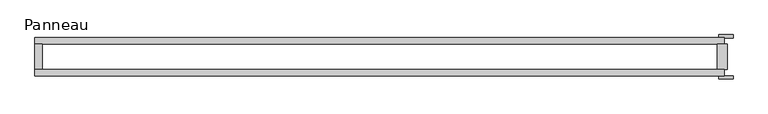
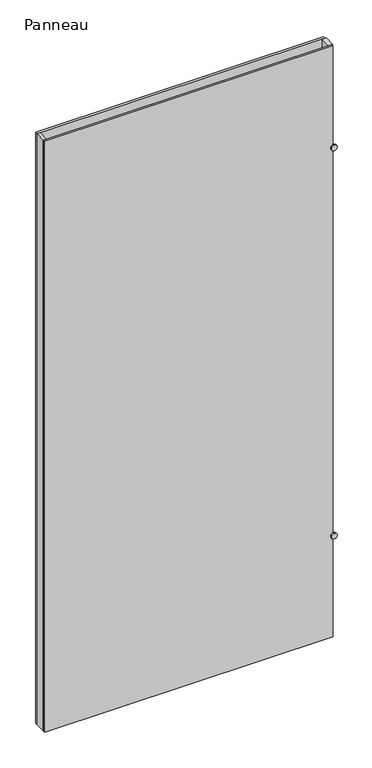
"""IFC4 building model written with IfcOpenShell, lengths in millimetres: plate geometry, Panneau."""

import ifcopenshell
import ifcopenshell.guid

model = None  # the IFC model being written
_history = None  # IfcOwnerHistory: only IFC2X3 demands one
_inside = {}  # id of a spatial element -> (the spatial element, [elements in it])
_under = {}  # id of a project, library or spatial element -> (it, [spatial elements below it])
_declared = {}  # id of a project -> (the project, [libraries it declares])
_typed = {}  # id of a type object -> (the type object, [elements of that type])
_made_of = {}  # id of a material, layer set ... -> (it, [elements and type objects made of it])


def new_model(schema):
    """Start an empty IFC model of exactly this schema.

    Asked for "IFC4X3", IfcOpenShell would pick the latest addendum, in which some entities
    have other attributes; the version numbers below select the first issue.
    IFC2X3 requires an IfcOwnerHistory on every rooted entity: one is made here for all.
    """
    global model, _history
    if schema == "IFC4X3":
        model = ifcopenshell.file(schema_version=(4, 3, 0, 0))
    else:
        model = ifcopenshell.file(schema=schema)
    _inside.clear()
    _under.clear()
    _declared.clear()
    _typed.clear()
    _made_of.clear()
    _history = None
    if model.schema == "IFC2X3":
        org = make("IfcOrganization", Name="unknown")
        user = make(
            "IfcPersonAndOrganization",
            ThePerson=make("IfcPerson", FamilyName="unknown"),
            TheOrganization=org,
        )
        app = make(
            "IfcApplication",
            ApplicationDeveloper=org,
            Version="unknown",
            ApplicationFullName="unknown",
            ApplicationIdentifier="unknown",
        )
        _history = make(
            "IfcOwnerHistory",
            OwningUser=user,
            OwningApplication=app,
            ChangeAction="ADDED",
            CreationDate=0,
        )
    return model


def make(cls, **values):
    """One entity of the class cls with the attributes given. An attribute that is None is left unset."""
    return model.create_entity(
        cls, **{name: value for name, value in values.items() if value is not None}
    )


def rooted(cls, **values):
    """An entity with a GlobalId (a new one), such as an element, a storey or a relation."""
    return make(cls, GlobalId=ifcopenshell.guid.new(), OwnerHistory=_history, **values)


def si_unit(unit_type, name, prefix=None):
    """IfcSIUnit, for example si_unit("LENGTHUNIT", "METRE", prefix="MILLI")."""
    return make("IfcSIUnit", UnitType=unit_type, Prefix=prefix, Name=name)


def assignment(units):
    """IfcUnitAssignment: the units of a project."""
    return None if units is None else make("IfcUnitAssignment", Units=units)


def point(xyz):
    """IfcCartesianPoint."""
    return None if xyz is None else make("IfcCartesianPoint", Coordinates=xyz)


def direction(xyz):
    """IfcDirection."""
    return None if xyz is None else make("IfcDirection", DirectionRatios=xyz)


def frame(location, z_axis=None, x_axis=None):
    """IfcAxis2Placement3D, a coordinate frame: its origin and axes. An axis left out is left unset."""
    return make(
        "IfcAxis2Placement3D",
        Location=point(location),
        Axis=direction(z_axis),
        RefDirection=direction(x_axis),
    )


def frame_2d(location, x_axis=None):
    """IfcAxis2Placement2D, a coordinate frame in the plane: its origin and x axis."""
    return make(
        "IfcAxis2Placement2D", Location=point(location), RefDirection=direction(x_axis)
    )


def origin():
    """The frame at (0, 0, 0) with its axes left unset."""
    return frame((0.0, 0.0, 0.0))


def origin_with_axes():
    """The frame at (0, 0, 0) with the z axis (0, 0, 1) and the x axis (1, 0, 0) written out."""
    return frame((0.0, 0.0, 0.0), z_axis=(0.0, 0.0, 1.0), x_axis=(1.0, 0.0, 0.0))


def place(relative_to, where):
    """IfcLocalPlacement: puts the frame where relative to a parent placement (None: the world)."""
    return make(
        "IfcLocalPlacement", PlacementRelTo=relative_to, RelativePlacement=where
    )


def context(
    kind, dimensions, precision=None, world=None, true_north=None, identifier=None
):
    """IfcGeometricRepresentationContext, for example the 3D "Model" context."""
    return make(
        "IfcGeometricRepresentationContext",
        ContextIdentifier=identifier,
        ContextType=kind,
        CoordinateSpaceDimension=dimensions,
        Precision=precision,
        WorldCoordinateSystem=world,
        TrueNorth=true_north,
    )


def project(units=None, contexts=None):
    """IfcProject with its units and contexts."""
    return rooted(
        "IfcProject",
        Name="project",
        RepresentationContexts=contexts,
        UnitsInContext=assignment(units),
    )


def spatial(cls, under=None, at=None, **own):
    """A site, building, storey or space (cls), placed at a placement, below another one or the project."""
    s = rooted(cls, ObjectPlacement=at, **own)
    if under is not None:
        _under.setdefault(under.id(), (under, []))[1].append(s)
    return s


def polyline(points):
    """IfcPolyline through the points."""
    return make("IfcPolyline", Points=[point(p) for p in points])


def circle_curve(where, radius):
    """IfcCircle in the frame where."""
    return make("IfcCircle", Position=where, Radius=radius)


def trimmed(basis, trim1, trim2, sense, master):
    """IfcTrimmedCurve: the piece of a basis curve between two trims."""
    return make(
        "IfcTrimmedCurve",
        BasisCurve=basis,
        Trim1=trim1,
        Trim2=trim2,
        SenseAgreement=sense,
        MasterRepresentation=master,
    )


def segment(curve, same_sense, transition):
    """IfcCompositeCurveSegment."""
    return make(
        "IfcCompositeCurveSegment",
        Transition=transition,
        SameSense=same_sense,
        ParentCurve=curve,
    )


def composite_curve(segments, self_intersect=None):
    """IfcCompositeCurve: segments joined end to end."""
    return make("IfcCompositeCurve", Segments=segments, SelfIntersect=self_intersect)


def outline(outer, holes=None, kind="AREA"):
    """IfcArbitraryClosedProfileDef: a profile drawn as a closed curve; with holes, ...WithVoids."""
    if holes is None:
        return make("IfcArbitraryClosedProfileDef", ProfileType=kind, OuterCurve=outer)
    return make(
        "IfcArbitraryProfileDefWithVoids",
        ProfileType=kind,
        OuterCurve=outer,
        InnerCurves=holes,
    )


def extrude(swept, where, along, depth):
    """IfcExtrudedAreaSolid: the profile swept, set in the frame where, extruded along a direction by depth."""
    return make(
        "IfcExtrudedAreaSolid",
        SweptArea=swept,
        Position=where,
        ExtrudedDirection=direction(along),
        Depth=depth,
    )


def shape(context_of_items, identifier, shape_type, items):
    """IfcShapeRepresentation: the items that make up one representation, for example the "Body"."""
    return make(
        "IfcShapeRepresentation",
        ContextOfItems=context_of_items,
        RepresentationIdentifier=identifier,
        RepresentationType=shape_type,
        Items=items,
    )


def source(mapping_origin, context_of_items, identifier, shape_type, items):
    """IfcRepresentationMap: a shape defined once, which mapped items show again and again."""
    return make(
        "IfcRepresentationMap",
        MappingOrigin=mapping_origin,
        MappedRepresentation=shape(context_of_items, identifier, shape_type, items),
    )


def transform(
    local_origin,
    x_axis=None,
    y_axis=None,
    z_axis=None,
    scale=None,
    scale2=None,
    scale3=None,
    uniform=True,
):
    """IfcCartesianTransformationOperator3D, or its non-uniform kind. x_axis, y_axis, z_axis: its Axis1, 2, 3."""
    if uniform:
        return make(
            "IfcCartesianTransformationOperator3D",
            Axis1=direction(x_axis),
            Axis2=direction(y_axis),
            LocalOrigin=point(local_origin),
            Scale=scale,
            Axis3=direction(z_axis),
        )
    return make(
        "IfcCartesianTransformationOperator3DnonUniform",
        Axis1=direction(x_axis),
        Axis2=direction(y_axis),
        LocalOrigin=point(local_origin),
        Scale=scale,
        Axis3=direction(z_axis),
        Scale2=scale2,
        Scale3=scale3,
    )


def mapped(mapping_source, mapping_target):
    """IfcMappedItem: shows the shape of a source again, moved by a transform."""
    return make(
        "IfcMappedItem", MappingSource=mapping_source, MappingTarget=mapping_target
    )


def made_of(thing, what):
    """Note that an element or type object is made of a material, layer set ...; save() writes the relation."""
    if what is not None:
        _made_of.setdefault(what.id(), (what, []))[1].append(thing)
    return thing


def element(
    cls,
    number,
    at=None,
    inside=None,
    cuts=None,
    type_object=None,
    material=None,
    context=None,
    identifier="Body",
    shape_type=None,
    held_by="IfcProductDefinitionShape",
    body=None,
    shapes=None,
    **own,
):
    """One element of the class cls, such as IfcWall. Its Tag is "e" and its number.

    at: its placement. inside: the storey or other place that contains it. cuts: it is an
    opening in that element (IfcRelVoidsElement). A single representation is given by context,
    identifier, shape_type and body (its items); several are given by shapes. held_by: the class
    of the entity that holds the representations. save() writes the other relations.
    """
    e = rooted(cls, Tag="e%d" % number, ObjectPlacement=at, **own)
    if body is not None:
        shapes = [shape(context, identifier, shape_type, body)]
    if shapes is not None:
        e.Representation = make(held_by, Representations=shapes)
    if inside is not None:
        _inside.setdefault(inside.id(), (inside, []))[1].append(e)
    if cuts is not None:
        rooted(
            "IfcRelVoidsElement", RelatingBuildingElement=cuts, RelatedOpeningElement=e
        )
    if type_object is not None:
        _typed.setdefault(type_object.id(), (type_object, []))[1].append(e)
    return made_of(e, material)


def aggregate(whole, parts):
    """IfcRelAggregates: a whole, such as a stair, and the parts it consists of."""
    return rooted("IfcRelAggregates", RelatingObject=whole, RelatedObjects=parts)


def save(model, path):
    """Write the relations noted so far, then the file.

    IfcRelAggregates (storeys below a building ...), IfcRelContainedInSpatialStructure (elements
    in a storey), IfcRelDefinesByType, IfcRelAssociatesMaterial and IfcRelDeclares: one each for
    every whole, place, type object, material and project.
    """
    for whole, parts in _under.values():
        aggregate(whole, parts)
    for where, things in _inside.values():
        rooted(
            "IfcRelContainedInSpatialStructure",
            RelatedElements=things,
            RelatingStructure=where,
        )
    for kind, things in _typed.values():
        rooted("IfcRelDefinesByType", RelatedObjects=things, RelatingType=kind)
    for what, things in _made_of.values():
        rooted("IfcRelAssociatesMaterial", RelatedObjects=things, RelatingMaterial=what)
    for by, libraries in _declared.values():
        rooted("IfcRelDeclares", RelatingContext=by, RelatedDefinitions=libraries)
    model.write(path)


def panneau_2093d3f1(model_context):
    return source(origin(), model_context, "Body", "SweptSolid", [
        extrude(outline(polyline([(669.7500001, -37.2), (-675.7500001, -37.2), (-675.7500001, -25.2), (669.7500001, -25.2), (669.7500001, -37.2)])), origin_with_axes(), (0.0, 0.0, 1.0), 2915.0),
        extrude(outline(composite_curve([segment(trimmed(circle_curve(frame_2d((500.0, 672.7500001)), 14.0), [point((500.0, 658.7500001))], [point((500.0, 686.7500001))], False, "CARTESIAN"), True, "CONTINUOUS"), segment(trimmed(circle_curve(frame_2d((500.0, 672.7500001)), 14.0), [point((500.0, 686.7500001))], [point((500.0, 658.7500001))], False, "CARTESIAN"), True, "CONTINUOUS")], self_intersect=False)), frame((0.0, 37.2, 0.0), z_axis=(0.0, 1.0, 0.0), x_axis=(0.0, 0.0, 1.0)), (0.0, 0.0, 1.0), 6.0),
        extrude(outline(composite_curve([segment(trimmed(circle_curve(frame_2d((2415.0, 672.7500001)), 14.0), [point((2415.0, 658.7500001))], [point((2415.0, 686.7500001))], False, "CARTESIAN"), True, "CONTINUOUS"), segment(trimmed(circle_curve(frame_2d((2415.0, 672.7500001)), 14.0), [point((2415.0, 686.7500001))], [point((2415.0, 658.7500001))], False, "CARTESIAN"), True, "CONTINUOUS")], self_intersect=False)), frame((0.0, 37.2, 0.0), z_axis=(0.0, 1.0, 0.0), x_axis=(0.0, 0.0, 1.0)), (0.0, 0.0, 1.0), 6.0),
        extrude(outline(composite_curve([segment(trimmed(circle_curve(frame_2d((2415.0, 672.7500001)), 14.0), [point((2415.0, 658.7500001))], [point((2415.0, 686.7500001))], False, "CARTESIAN"), True, "CONTINUOUS"), segment(trimmed(circle_curve(frame_2d((2415.0, 672.7500001)), 14.0), [point((2415.0, 686.7500001))], [point((2415.0, 658.7500001))], False, "CARTESIAN"), True, "CONTINUOUS")], self_intersect=False)), frame((0.0, -43.2, 0.0), z_axis=(0.0, 1.0, 0.0), x_axis=(0.0, 0.0, 1.0)), (0.0, 0.0, 1.0), 6.0),
        extrude(outline(composite_curve([segment(trimmed(circle_curve(frame_2d((500.0, 672.7500001)), 14.0), [point((500.0, 658.7500001))], [point((500.0, 686.7500001))], False, "CARTESIAN"), True, "CONTINUOUS"), segment(trimmed(circle_curve(frame_2d((500.0, 672.7500001)), 14.0), [point((500.0, 686.7500001))], [point((500.0, 658.7500001))], False, "CARTESIAN"), True, "CONTINUOUS")], self_intersect=False)), frame((0.0, -43.2, 0.0), z_axis=(0.0, 1.0, 0.0), x_axis=(0.0, 0.0, 1.0)), (0.0, 0.0, 1.0), 6.0),
        extrude(outline(polyline([(-661.7500001, 25.2), (-661.7500001, -25.2), (-675.7500001, -25.2), (-675.7500001, 25.2), (-661.7500001, 25.2)])), origin_with_axes(), (0.0, 0.0, 1.0), 2915.0),
        extrude(outline(polyline([(675.7500001, 25.2), (675.7500001, -25.2), (655.7500001, -25.2), (655.7500001, 25.2), (675.7500001, 25.2)])), origin_with_axes(), (0.0, 0.0, 1.0), 2915.0),
        extrude(outline(polyline([(669.7500001, 25.2), (-675.7500001, 25.2), (-675.7500001, 37.2), (669.7500001, 37.2), (669.7500001, 25.2)])), origin_with_axes(), (0.0, 0.0, 1.0), 2915.0),
    ])


if __name__ == "__main__":
    model = new_model("IFC4")
    model_context = context("Model", 3, world=origin())
    ifc_project = project(units=[si_unit("LENGTHUNIT", "METRE", prefix="MILLI")], contexts=[model_context])
    site = spatial("IfcSite", under=ifc_project)
    building = spatial("IfcBuilding", under=site)
    placement = place(None, origin())
    panneau_shape = panneau_2093d3f1(model_context)
    element("IfcPlate", 1, ObjectType="Panneau", at=placement, inside=building, context=model_context, shape_type="MappedRepresentation", body=[
        mapped(panneau_shape, transform((0.0, 0.0, 0.0), x_axis=(1.0, 0.0, 0.0), y_axis=(0.0, 1.0, 0.0), z_axis=(0.0, 0.0, 1.0))),
    ])
    save(model, "model.ifc")
